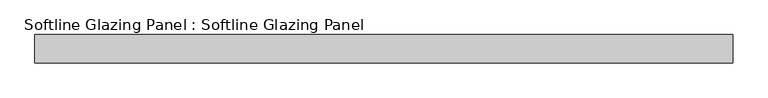
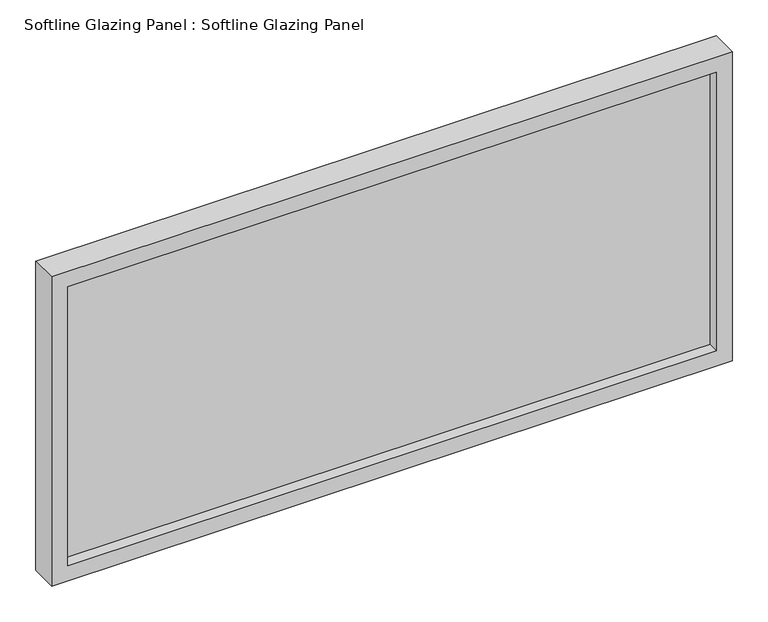
"""IFC4 building model written with IfcOpenShell, lengths in millimetres: plate geometry, Softline Glazing Panel : Softline Glazing Panel."""

from ifc_helpers import new_model, si_unit, frame, origin, place, context, project, spatial, polyline, outline, extrude, faceted_brep, source, transform, mapped, element, save


def softline_glazing_panel_softline_glazing_panel_1cd775db(model_context):
    return source(origin(), model_context, "Body", "SolidModel", [
        extrude(outline(polyline([(535.25, 4.0), (535.25, -4.0), (-535.25, -4.0), (-535.25, 4.0), (535.25, 4.0)])), frame((0.0, 0.0, 16.0), z_axis=(0.0, 0.0, 1.0), x_axis=(1.0, 0.0, 0.0)), (0.0, 0.0, 1.0), 497.3378484),
        faceted_brep([(525.25, 4.0, 26.0), (525.25, 22.5, 26.0), (-525.25, 22.5, 26.0), (-525.25, 4.0, 26.0), (535.25, -4.0, 16.0), (535.25, 4.0, 16.0), (-535.25, 4.0, 16.0), (-535.25, -4.0, 16.0), (525.25, -22.5, 26.0), (525.25, -4.0, 26.0), (-525.25, -4.0, 26.0), (-525.25, -22.5, 26.0), (551.25, 22.5, 0.0), (551.25, -22.5, 0.0), (-551.25, -22.5, 0.0), (-551.25, 22.5, 0.0), (-525.25, 22.5, 503.3378484), (-525.25, 4.0, 503.3378484), (-535.25, 4.0, 513.3378484), (-535.25, -4.0, 513.3378484), (-525.25, -4.0, 503.3378484), (-525.25, -22.5, 503.3378484), (-551.25, -22.5, 529.3378484), (-551.25, 22.5, 529.3378484), (525.25, 22.5, 503.3378484), (525.25, 4.0, 503.3378484), (535.25, 4.0, 513.3378484), (535.25, -4.0, 513.3378484), (525.25, -4.0, 503.3378484), (525.25, -22.5, 503.3378484), (551.25, -22.5, 529.3378484), (551.25, 22.5, 529.3378484)], [[[0, 1, 2, 3]], [[4, 5, 6, 7]], [[8, 9, 10, 11]], [[12, 13, 14, 15]], [[3, 2, 16, 17]], [[7, 6, 18, 19]], [[11, 10, 20, 21]], [[15, 14, 22, 23]], [[17, 16, 24, 25]], [[19, 18, 26, 27]], [[21, 20, 28, 29]], [[23, 22, 30, 31]], [[15, 23, 31, 12], [1, 24, 16, 2]], [[25, 24, 1, 0]], [[5, 26, 18, 6], [3, 17, 25, 0]], [[27, 26, 5, 4]], [[7, 19, 27, 4], [9, 28, 20, 10]], [[29, 28, 9, 8]], [[13, 30, 22, 14], [11, 21, 29, 8]], [[31, 30, 13, 12]]]),
    ])


if __name__ == "__main__":
    model = new_model("IFC4")
    model_context = context("Model", 3, world=origin())
    ifc_project = project(units=[si_unit("LENGTHUNIT", "METRE", prefix="MILLI")], contexts=[model_context])
    site = spatial("IfcSite", under=ifc_project)
    building = spatial("IfcBuilding", under=site)
    placement = place(None, origin())
    softline_glazing_panel_softline_glazing_panel_shape = softline_glazing_panel_softline_glazing_panel_1cd775db(model_context)
    element("IfcPlate", 1, ObjectType="Softline Glazing Panel : Softline Glazing Panel", at=placement, inside=building, context=model_context, shape_type="MappedRepresentation", body=[
        mapped(softline_glazing_panel_softline_glazing_panel_shape, transform((0.0, 0.0, 0.0), x_axis=(1.0, 0.0, 0.0), y_axis=(0.0, 1.0, 0.0), z_axis=(0.0, 0.0, 1.0))),
    ])
    save(model, "model.ifc")
